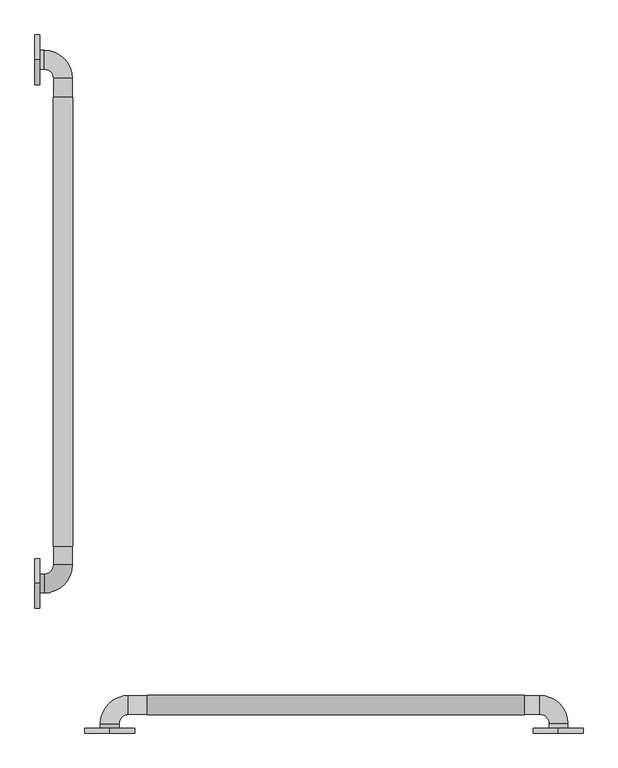
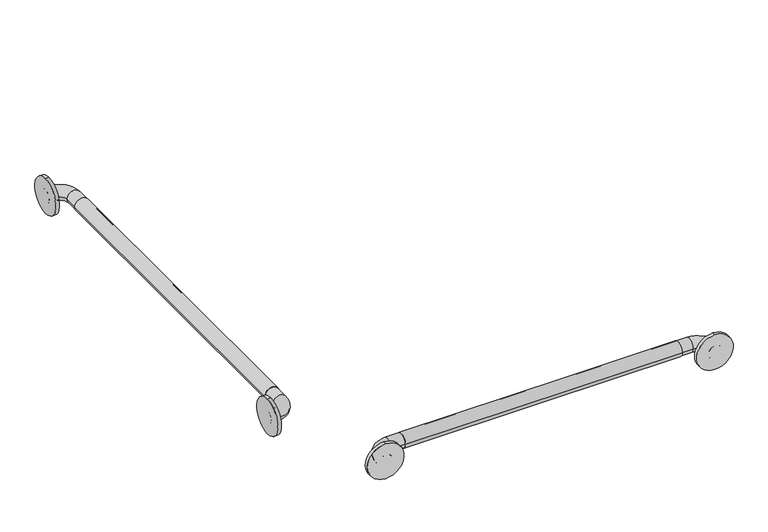
"""IFC4 building model written with IfcOpenShell, lengths in millimetres: proxy geometry."""

from ifc_helpers import new_model, si_unit, point, frame, frame_2d, origin, place, context, project, spatial, circle_curve, ellipse_curve, trimmed, segment, composite_curve, outline, extrude, source, transform, mapped, element, save
from ifc_brep_helpers import plane_surface, cylinder_surface, revolved_surface, advanced_brep


def generic_models_0d565b0b(model_context):
    return source(origin(), model_context, "Body", "SolidModel", [
        extrude(outline(composite_curve([segment(trimmed(circle_curve(frame_2d((889.0, 57.15)), 19.84375), [point((889.0, 76.99375))], [point((889.0, 37.30625))], False, "CARTESIAN"), True, "CONTINUOUS"), segment(trimmed(circle_curve(frame_2d((889.0, 57.15)), 19.84375), [point((889.0, 37.30625))], [point((889.0, 76.99375))], False, "CARTESIAN"), True, "CONTINUOUS")], self_intersect=False)), frame((0.0, 442.9125, 0.0), z_axis=(0.0, 1.0, 0.0), x_axis=(0.0, 0.0, 1.0)), (0.0, 0.0, 1.0), 914.4),
        extrude(outline(composite_curve([segment(trimmed(circle_curve(frame_2d((118.706573, 889.0)), 19.84375), [point((98.862823, 889.0))], [point((138.550323, 889.0))], False, "CARTESIAN"), True, "CONTINUOUS"), segment(trimmed(circle_curve(frame_2d((118.706573, 889.0)), 19.84375), [point((138.550323, 889.0))], [point((98.862823, 889.0))], False, "CARTESIAN"), True, "CONTINUOUS")], self_intersect=False)), frame((228.6, 0.0, 0.0), z_axis=(1.0, 0.0, 0.0), x_axis=(0.0, 1.0, 0.0)), (0.0, 0.0, 1.0), 768.35),
        extrude(outline(composite_curve([segment(trimmed(circle_curve(frame_2d((889.0, 1065.9492842)), 50.8), [point((838.2, 1065.9492842))], [point((939.8, 1065.9492842))], False, "CARTESIAN"), True, "CONTINUOUS"), segment(trimmed(circle_curve(frame_2d((889.0, 1065.9492842)), 50.8), [point((939.8, 1065.9492842))], [point((838.2, 1065.9492842))], False, "CARTESIAN"), True, "CONTINUOUS")], self_intersect=False)), frame((0.0, 61.9125, 0.0), z_axis=(0.0, 1.0, 0.0), x_axis=(0.0, 0.0, 1.0)), (0.0, 0.0, 1.0), 9.525),
        extrude(outline(composite_curve([segment(trimmed(circle_curve(frame_2d((889.0, 152.4)), 50.8), [point((838.2, 152.4))], [point((939.8, 152.4))], False, "CARTESIAN"), True, "CONTINUOUS"), segment(trimmed(circle_curve(frame_2d((889.0, 152.4)), 50.8), [point((939.8, 152.4))], [point((838.2, 152.4))], False, "CARTESIAN"), True, "CONTINUOUS")], self_intersect=False)), frame((0.0, 61.9125, 0.0), z_axis=(0.0, 1.0, 0.0), x_axis=(0.0, 0.0, 1.0)), (0.0, 0.0, 1.0), 9.525),
        extrude(outline(composite_curve([segment(trimmed(circle_curve(frame_2d((366.7125, 889.0)), 50.8), [point((366.7125, 838.2))], [point((366.7125, 939.8))], False, "CARTESIAN"), True, "CONTINUOUS"), segment(trimmed(circle_curve(frame_2d((366.7125, 889.0)), 50.8), [point((366.7125, 939.8))], [point((366.7125, 838.2))], False, "CARTESIAN"), True, "CONTINUOUS")], self_intersect=False)), frame((0.0, 0.0, 0.0), z_axis=(1.0, 0.0, 0.0), x_axis=(0.0, 1.0, 0.0)), (0.0, 0.0, 1.0), 9.525),
        extrude(outline(composite_curve([segment(trimmed(circle_curve(frame_2d((1433.5125, 889.0)), 50.8), [point((1433.5125, 838.2))], [point((1433.5125, 939.8))], False, "CARTESIAN"), True, "CONTINUOUS"), segment(trimmed(circle_curve(frame_2d((1433.5125, 889.0)), 50.8), [point((1433.5125, 939.8))], [point((1433.5125, 838.2))], False, "CARTESIAN"), True, "CONTINUOUS")], self_intersect=False)), frame((0.0, 0.0, 0.0), z_axis=(1.0, 0.0, 0.0), x_axis=(0.0, 1.0, 0.0)), (0.0, 0.0, 1.0), 9.525),
        advanced_brep(
        [(1085.85, 61.9125, 889.0), (1047.75, 61.9125, 889.0), (1085.85, 80.9625, 889.0), (1047.75, 80.9625, 889.0), (1028.7, 100.0125, 889.0), (1028.7, 138.1125, 889.0), (190.5, 138.1125, 889.0), (190.5, 100.0125, 889.0), (171.45, 80.9625, 889.0), (133.35, 80.9625, 889.0), (133.35, 61.9125, 889.0), (171.45, 61.9125, 889.0)],
        [
            (0, 1, circle_curve(frame((1066.8, 61.9125, 889.0), z_axis=(0.0, -1.0, 0.0), x_axis=(-1.0, 0.0, 0.0)), 19.05)),
            (1, 0, circle_curve(frame((1066.8, 61.9125, 889.0), z_axis=(0.0, -1.0, 0.0), x_axis=(-1.0, 0.0, 0.0)), 19.05)),
            (0, 2),
            (2, 3, circle_curve(frame((1066.8, 80.9625, 889.0), z_axis=(0.0, -1.0, 0.0), x_axis=(-1.0, 0.0, 0.0)), 19.05)),
            (3, 1),
            (3, 2, circle_curve(frame((1066.8, 80.9625, 889.0), z_axis=(0.0, -1.0, 0.0), x_axis=(-1.0, 0.0, 0.0)), 19.05)),
            (4, 3, circle_curve(frame((1028.7, 80.9625, 889.0), z_axis=(0.0, 0.0, -1.0), x_axis=(1.0, 0.0, 0.0)), 19.05)),
            (2, 5, circle_curve(frame((1028.7, 80.9625, 889.0), z_axis=(0.0, 0.0, 1.0), x_axis=(1.0, 0.0, 0.0)), 57.15)),
            (5, 4, circle_curve(frame((1028.7, 119.0625, 889.0), z_axis=(1.0, 0.0, 0.0), x_axis=(0.0, -1.0, 0.0)), 19.05)),
            (4, 5, circle_curve(frame((1028.7, 119.0625, 889.0), z_axis=(1.0, 0.0, 0.0), x_axis=(0.0, -1.0, 0.0)), 19.05)),
            (5, 6),
            (6, 7, circle_curve(frame((190.5, 119.0625, 889.0), z_axis=(1.0, 0.0, 0.0), x_axis=(0.0, -1.0, 0.0)), 19.05)),
            (7, 4),
            (7, 6, circle_curve(frame((190.5, 119.0625, 889.0), z_axis=(1.0, 0.0, 0.0), x_axis=(0.0, -1.0, 0.0)), 19.05)),
            (8, 7, circle_curve(frame((190.5, 80.9625, 889.0), z_axis=(0.0, 0.0, -1.0), x_axis=(0.0, 1.0, 0.0)), 19.05)),
            (6, 9, circle_curve(frame((190.5, 80.9625, 889.0), z_axis=(0.0, 0.0, 1.0), x_axis=(0.0, 1.0, 0.0)), 57.15)),
            (9, 8, circle_curve(frame((152.4, 80.9625, 889.0), z_axis=(0.0, 1.0, 0.0), x_axis=(1.0, 0.0, 0.0)), 19.05)),
            (8, 9, circle_curve(frame((152.4, 80.9625, 889.0), z_axis=(0.0, 1.0, 0.0), x_axis=(1.0, 0.0, 0.0)), 19.05)),
            (10, 11, circle_curve(frame((152.4, 61.9125, 889.0), z_axis=(0.0, -1.0, 0.0), x_axis=(1.0, 0.0, 0.0)), 19.05)),
            (11, 10, circle_curve(frame((152.4, 61.9125, 889.0), z_axis=(0.0, -1.0, 0.0), x_axis=(1.0, 0.0, 0.0)), 19.05)),
            (9, 10),
            (11, 8),
        ],
        [
            plane_surface(frame((1066.8, 61.9125, 889.0), z_axis=(0.0, -1.0, 0.0), x_axis=(0.0, 0.0, 1.0))),
            cylinder_surface(frame((1066.8, 61.9125, 889.0), z_axis=(0.0, -1.0, 0.0), x_axis=(-1.0, 0.0, 0.0)), 19.05),
            revolved_surface(trimmed(ellipse_curve(frame((1066.8, 80.9625, 889.0), z_axis=(0.0, -1.0, 0.0), x_axis=(-1.0, 0.0, 0.0)), 19.05, 19.05), [point((1085.85, 80.9625, 889.0))], [point((1047.75, 80.9625, 889.0))], True, "CARTESIAN"), (1028.7, 80.9625, 889.0), (0.0, 0.0, 1.0)),
            revolved_surface(trimmed(ellipse_curve(frame((1066.8, 80.9625, 889.0), z_axis=(0.0, -1.0, 0.0), x_axis=(-1.0, 0.0, 0.0)), 19.05, 19.05), [point((1047.75, 80.9625, 889.0))], [point((1085.85, 80.9625, 889.0))], True, "CARTESIAN"), (1028.7, 80.9625, 889.0), (0.0, 0.0, 1.0)),
            cylinder_surface(frame((1028.7, 119.0625, 889.0), z_axis=(1.0, 0.0, 0.0), x_axis=(0.0, -1.0, 0.0)), 19.05),
            revolved_surface(trimmed(ellipse_curve(frame((190.5, 119.0625, 889.0), z_axis=(1.0, 0.0, 0.0), x_axis=(0.0, -1.0, 0.0)), 19.05, 19.05), [point((190.5, 138.1125, 889.0))], [point((190.5, 100.0125, 889.0))], True, "CARTESIAN"), (190.5, 80.9625, 889.0), (0.0, 0.0, 1.0)),
            revolved_surface(trimmed(ellipse_curve(frame((190.5, 119.0625, 889.0), z_axis=(1.0, 0.0, 0.0), x_axis=(0.0, -1.0, 0.0)), 19.05, 19.05), [point((190.5, 100.0125, 889.0))], [point((190.5, 138.1125, 889.0))], True, "CARTESIAN"), (190.5, 80.9625, 889.0), (0.0, 0.0, 1.0)),
            plane_surface(frame((152.4, 61.9125, 889.0), z_axis=(0.0, -1.0, 0.0), x_axis=(0.0, 0.0, 1.0))),
            cylinder_surface(frame((152.4, 80.9625, 889.0), z_axis=(0.0, 1.0, 0.0), x_axis=(1.0, 0.0, 0.0)), 19.05),
        ],
        [
            (0, [[1, 2]]),
            (1, [[-1, 3, 4, 5]]),
            (1, [[-2, -5, 6, -3]]),
            (2, [[7, -4, 8, 9]]),
            (3, [[-8, -6, -7, 10]]),
            (4, [[-9, 11, 12, 13]]),
            (4, [[-10, -13, 14, -11]]),
            (5, [[15, -12, 16, 17]]),
            (6, [[-16, -14, -15, 18]]),
            (7, [[19, 20]]),
            (8, [[-17, 21, -20, 22]]),
            (8, [[-18, -22, -19, -21]]),
        ],
    ),
        advanced_brep(
        [(0.0, 347.6625, 889.0), (0.0, 385.7625, 889.0), (19.05, 347.6625, 889.0), (19.05, 385.7625, 889.0), (38.1, 404.8125, 889.0), (76.2, 404.8125, 889.0), (76.2, 1395.4125, 889.0), (38.1, 1395.4125, 889.0), (19.05, 1414.4625, 889.0), (19.05, 1452.5625, 889.0), (0.0, 1452.5625, 889.0), (0.0, 1414.4625, 889.0)],
        [
            (0, 1, circle_curve(frame((0.0, 366.7125, 889.0), z_axis=(-1.0, 0.0, 0.0), x_axis=(0.0, 1.0, 0.0)), 19.05)),
            (1, 0, circle_curve(frame((0.0, 366.7125, 889.0), z_axis=(-1.0, 0.0, 0.0), x_axis=(0.0, 1.0, 0.0)), 19.05)),
            (0, 2),
            (2, 3, circle_curve(frame((19.05, 366.7125, 889.0), z_axis=(-1.0, 0.0, 0.0), x_axis=(0.0, 1.0, 0.0)), 19.05)),
            (3, 1),
            (3, 2, circle_curve(frame((19.05, 366.7125, 889.0), z_axis=(-1.0, 0.0, 0.0), x_axis=(0.0, 1.0, 0.0)), 19.05)),
            (4, 3, circle_curve(frame((19.05, 404.8125, 889.0), z_axis=(0.0, 0.0, -1.0), x_axis=(0.0, -1.0, 0.0)), 19.05)),
            (2, 5, circle_curve(frame((19.05, 404.8125, 889.0), z_axis=(0.0, 0.0, 1.0), x_axis=(0.0, -1.0, 0.0)), 57.15)),
            (5, 4, circle_curve(frame((57.15, 404.8125, 889.0), z_axis=(0.0, -1.0, 0.0), x_axis=(-1.0, 0.0, 0.0)), 19.05)),
            (4, 5, circle_curve(frame((57.15, 404.8125, 889.0), z_axis=(0.0, -1.0, 0.0), x_axis=(-1.0, 0.0, 0.0)), 19.05)),
            (5, 6),
            (6, 7, circle_curve(frame((57.15, 1395.4125, 889.0), z_axis=(0.0, -1.0, 0.0), x_axis=(-1.0, 0.0, 0.0)), 19.05)),
            (7, 4),
            (7, 6, circle_curve(frame((57.15, 1395.4125, 889.0), z_axis=(0.0, -1.0, 0.0), x_axis=(-1.0, 0.0, 0.0)), 19.05)),
            (8, 7, circle_curve(frame((19.05, 1395.4125, 889.0), z_axis=(0.0, 0.0, -1.0), x_axis=(1.0, 0.0, 0.0)), 19.05)),
            (6, 9, circle_curve(frame((19.05, 1395.4125, 889.0), z_axis=(0.0, 0.0, 1.0), x_axis=(1.0, 0.0, 0.0)), 57.15)),
            (9, 8, circle_curve(frame((19.05, 1433.5125, 889.0), z_axis=(1.0, 0.0, 0.0), x_axis=(0.0, -1.0, 0.0)), 19.05)),
            (8, 9, circle_curve(frame((19.05, 1433.5125, 889.0), z_axis=(1.0, 0.0, 0.0), x_axis=(0.0, -1.0, 0.0)), 19.05)),
            (10, 11, circle_curve(frame((0.0, 1433.5125, 889.0), z_axis=(-1.0, 0.0, 0.0), x_axis=(0.0, -1.0, 0.0)), 19.05)),
            (11, 10, circle_curve(frame((0.0, 1433.5125, 889.0), z_axis=(-1.0, 0.0, 0.0), x_axis=(0.0, -1.0, 0.0)), 19.05)),
            (9, 10),
            (11, 8),
        ],
        [
            plane_surface(frame((0.0, 366.7125, 889.0), z_axis=(-1.0, 0.0, 0.0), x_axis=(0.0, 0.0, 1.0))),
            cylinder_surface(frame((0.0, 366.7125, 889.0), z_axis=(-1.0, 0.0, 0.0), x_axis=(0.0, 1.0, 0.0)), 19.05),
            revolved_surface(trimmed(ellipse_curve(frame((19.05, 366.7125, 889.0), z_axis=(-1.0, 0.0, 0.0), x_axis=(0.0, 1.0, 0.0)), 19.05, 19.05), [point((19.05, 347.6625, 889.0))], [point((19.05, 385.7625, 889.0))], True, "CARTESIAN"), (19.05, 404.8125, 889.0), (0.0, 0.0, 1.0)),
            revolved_surface(trimmed(ellipse_curve(frame((19.05, 366.7125, 889.0), z_axis=(-1.0, 0.0, 0.0), x_axis=(0.0, 1.0, 0.0)), 19.05, 19.05), [point((19.05, 385.7625, 889.0))], [point((19.05, 347.6625, 889.0))], True, "CARTESIAN"), (19.05, 404.8125, 889.0), (0.0, 0.0, 1.0)),
            cylinder_surface(frame((57.15, 404.8125, 889.0), z_axis=(0.0, -1.0, 0.0), x_axis=(-1.0, 0.0, 0.0)), 19.05),
            revolved_surface(trimmed(ellipse_curve(frame((57.15, 1395.4125, 889.0), z_axis=(0.0, -1.0, 0.0), x_axis=(-1.0, 0.0, 0.0)), 19.05, 19.05), [point((76.2, 1395.4125, 889.0))], [point((38.1, 1395.4125, 889.0))], True, "CARTESIAN"), (19.05, 1395.4125, 889.0), (0.0, 0.0, 1.0)),
            revolved_surface(trimmed(ellipse_curve(frame((57.15, 1395.4125, 889.0), z_axis=(0.0, -1.0, 0.0), x_axis=(-1.0, 0.0, 0.0)), 19.05, 19.05), [point((38.1, 1395.4125, 889.0))], [point((76.2, 1395.4125, 889.0))], True, "CARTESIAN"), (19.05, 1395.4125, 889.0), (0.0, 0.0, 1.0)),
            plane_surface(frame((0.0, 1433.5125, 889.0), z_axis=(-1.0, 0.0, 0.0), x_axis=(0.0, 0.0, 1.0))),
            cylinder_surface(frame((19.05, 1433.5125, 889.0), z_axis=(1.0, 0.0, 0.0), x_axis=(0.0, -1.0, 0.0)), 19.05),
        ],
        [
            (0, [[1, 2]]),
            (1, [[-1, 3, 4, 5]]),
            (1, [[-2, -5, 6, -3]]),
            (2, [[7, -4, 8, 9]]),
            (3, [[-8, -6, -7, 10]]),
            (4, [[-9, 11, 12, 13]]),
            (4, [[-10, -13, 14, -11]]),
            (5, [[15, -12, 16, 17]]),
            (6, [[-16, -14, -15, 18]]),
            (7, [[19, 20]]),
            (8, [[-17, 21, -20, 22]]),
            (8, [[-18, -22, -19, -21]]),
        ],
    ),
    ])


if __name__ == "__main__":
    model = new_model("IFC4")
    model_context = context("Model", 3, world=origin())
    ifc_project = project(units=[si_unit("LENGTHUNIT", "METRE", prefix="MILLI")], contexts=[model_context])
    site = spatial("IfcSite", under=ifc_project)
    building = spatial("IfcBuilding", under=site)
    placement = place(None, origin())
    generic_models_shape = generic_models_0d565b0b(model_context)
    element("IfcBuildingElementProxy", 1, Name="Generic Models", at=placement, inside=building, context=model_context, shape_type="MappedRepresentation", body=[
        mapped(generic_models_shape, transform((0.0, 0.0, 0.0), x_axis=(1.0, 0.0, 0.0), y_axis=(0.0, 1.0, 0.0), z_axis=(0.0, 0.0, 1.0))),
    ])
    save(model, "model.ifc")
